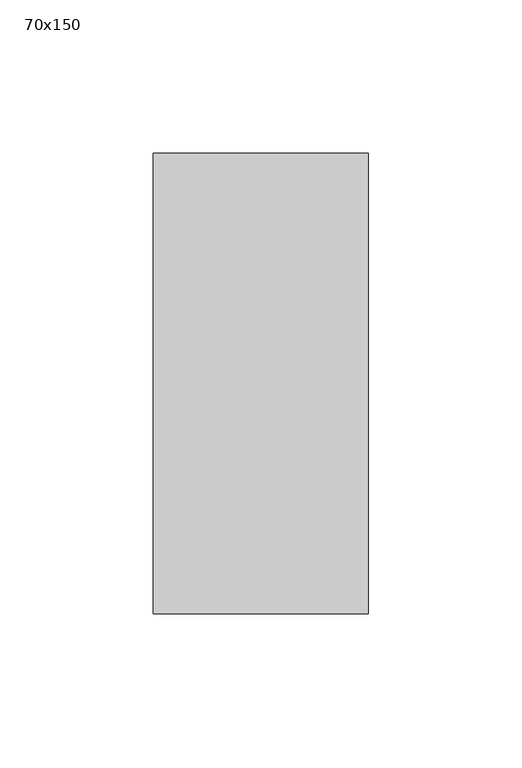
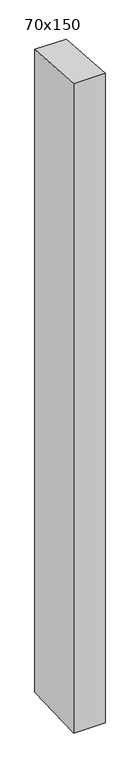
"""IFC4 building model written with IfcOpenShell, lengths in millimetres: member geometry, 70x150."""

from ifc_helpers import new_model, si_unit, frame, origin, place, context, project, spatial, polyline, outline, extrude, source, transform, mapped, element, save


def member_70x150_846b0a58(model_context):
    return source(origin(), model_context, "Body", "SweptSolid", [
        extrude(outline(polyline([(-75.0, 4.8333526), (75.0, -4.8333526), (75.0, -1523.0886439), (-75.0, -1528.8188309), (-75.0, 4.8333526)])), frame((-70.0, 0.0, 0.0), z_axis=(1.0, 0.0, 0.0), x_axis=(0.0, 1.0, 0.0)), (0.0, 0.0, 1.0), 70.0),
    ])


if __name__ == "__main__":
    model = new_model("IFC4")
    model_context = context("Model", 3, world=origin())
    ifc_project = project(units=[si_unit("LENGTHUNIT", "METRE", prefix="MILLI")], contexts=[model_context])
    site = spatial("IfcSite", under=ifc_project)
    building = spatial("IfcBuilding", under=site)
    placement = place(None, origin())
    member_70x150_shape = member_70x150_846b0a58(model_context)
    element("IfcMember", 1, ObjectType="70x150", at=placement, inside=building, context=model_context, shape_type="MappedRepresentation", body=[
        mapped(member_70x150_shape, transform((0.0, 0.0, 0.0), x_axis=(1.0, 0.0, 0.0), y_axis=(0.0, 1.0, 0.0), z_axis=(0.0, 0.0, 1.0))),
    ])
    save(model, "model.ifc")
